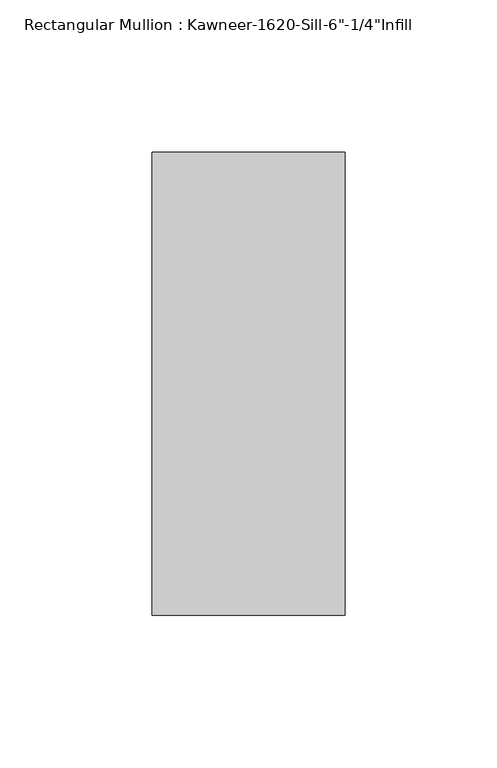
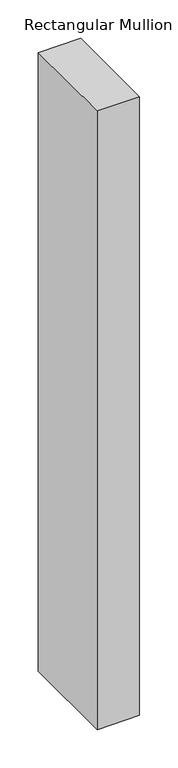
"""IFC4 building model written with IfcOpenShell, lengths in millimetres: member geometry."""

import ifcopenshell
import ifcopenshell.guid

model = None  # the IFC model being written
_history = None  # IfcOwnerHistory: only IFC2X3 demands one
_inside = {}  # id of a spatial element -> (the spatial element, [elements in it])
_under = {}  # id of a project, library or spatial element -> (it, [spatial elements below it])
_declared = {}  # id of a project -> (the project, [libraries it declares])
_typed = {}  # id of a type object -> (the type object, [elements of that type])
_made_of = {}  # id of a material, layer set ... -> (it, [elements and type objects made of it])


def new_model(schema):
    """Start an empty IFC model of exactly this schema.

    Asked for "IFC4X3", IfcOpenShell would pick the latest addendum, in which some entities
    have other attributes; the version numbers below select the first issue.
    IFC2X3 requires an IfcOwnerHistory on every rooted entity: one is made here for all.
    """
    global model, _history
    if schema == "IFC4X3":
        model = ifcopenshell.file(schema_version=(4, 3, 0, 0))
    else:
        model = ifcopenshell.file(schema=schema)
    _inside.clear()
    _under.clear()
    _declared.clear()
    _typed.clear()
    _made_of.clear()
    _history = None
    if model.schema == "IFC2X3":
        org = make("IfcOrganization", Name="unknown")
        user = make(
            "IfcPersonAndOrganization",
            ThePerson=make("IfcPerson", FamilyName="unknown"),
            TheOrganization=org,
        )
        app = make(
            "IfcApplication",
            ApplicationDeveloper=org,
            Version="unknown",
            ApplicationFullName="unknown",
            ApplicationIdentifier="unknown",
        )
        _history = make(
            "IfcOwnerHistory",
            OwningUser=user,
            OwningApplication=app,
            ChangeAction="ADDED",
            CreationDate=0,
        )
    return model


def make(cls, **values):
    """One entity of the class cls with the attributes given. An attribute that is None is left unset."""
    return model.create_entity(
        cls, **{name: value for name, value in values.items() if value is not None}
    )


def rooted(cls, **values):
    """An entity with a GlobalId (a new one), such as an element, a storey or a relation."""
    return make(cls, GlobalId=ifcopenshell.guid.new(), OwnerHistory=_history, **values)


def si_unit(unit_type, name, prefix=None):
    """IfcSIUnit, for example si_unit("LENGTHUNIT", "METRE", prefix="MILLI")."""
    return make("IfcSIUnit", UnitType=unit_type, Prefix=prefix, Name=name)


def assignment(units):
    """IfcUnitAssignment: the units of a project."""
    return None if units is None else make("IfcUnitAssignment", Units=units)


def point(xyz):
    """IfcCartesianPoint."""
    return None if xyz is None else make("IfcCartesianPoint", Coordinates=xyz)


def direction(xyz):
    """IfcDirection."""
    return None if xyz is None else make("IfcDirection", DirectionRatios=xyz)


def frame(location, z_axis=None, x_axis=None):
    """IfcAxis2Placement3D, a coordinate frame: its origin and axes. An axis left out is left unset."""
    return make(
        "IfcAxis2Placement3D",
        Location=point(location),
        Axis=direction(z_axis),
        RefDirection=direction(x_axis),
    )


def origin():
    """The frame at (0, 0, 0) with its axes left unset."""
    return frame((0.0, 0.0, 0.0))


def place(relative_to, where):
    """IfcLocalPlacement: puts the frame where relative to a parent placement (None: the world)."""
    return make(
        "IfcLocalPlacement", PlacementRelTo=relative_to, RelativePlacement=where
    )


def context(
    kind, dimensions, precision=None, world=None, true_north=None, identifier=None
):
    """IfcGeometricRepresentationContext, for example the 3D "Model" context."""
    return make(
        "IfcGeometricRepresentationContext",
        ContextIdentifier=identifier,
        ContextType=kind,
        CoordinateSpaceDimension=dimensions,
        Precision=precision,
        WorldCoordinateSystem=world,
        TrueNorth=true_north,
    )


def project(units=None, contexts=None):
    """IfcProject with its units and contexts."""
    return rooted(
        "IfcProject",
        Name="project",
        RepresentationContexts=contexts,
        UnitsInContext=assignment(units),
    )


def spatial(cls, under=None, at=None, **own):
    """A site, building, storey or space (cls), placed at a placement, below another one or the project."""
    s = rooted(cls, ObjectPlacement=at, **own)
    if under is not None:
        _under.setdefault(under.id(), (under, []))[1].append(s)
    return s


def polyline(points):
    """IfcPolyline through the points."""
    return make("IfcPolyline", Points=[point(p) for p in points])


def outline(outer, holes=None, kind="AREA"):
    """IfcArbitraryClosedProfileDef: a profile drawn as a closed curve; with holes, ...WithVoids."""
    if holes is None:
        return make("IfcArbitraryClosedProfileDef", ProfileType=kind, OuterCurve=outer)
    return make(
        "IfcArbitraryProfileDefWithVoids",
        ProfileType=kind,
        OuterCurve=outer,
        InnerCurves=holes,
    )


def extrude(swept, where, along, depth):
    """IfcExtrudedAreaSolid: the profile swept, set in the frame where, extruded along a direction by depth."""
    return make(
        "IfcExtrudedAreaSolid",
        SweptArea=swept,
        Position=where,
        ExtrudedDirection=direction(along),
        Depth=depth,
    )


def shape(context_of_items, identifier, shape_type, items):
    """IfcShapeRepresentation: the items that make up one representation, for example the "Body"."""
    return make(
        "IfcShapeRepresentation",
        ContextOfItems=context_of_items,
        RepresentationIdentifier=identifier,
        RepresentationType=shape_type,
        Items=items,
    )


def source(mapping_origin, context_of_items, identifier, shape_type, items):
    """IfcRepresentationMap: a shape defined once, which mapped items show again and again."""
    return make(
        "IfcRepresentationMap",
        MappingOrigin=mapping_origin,
        MappedRepresentation=shape(context_of_items, identifier, shape_type, items),
    )


def transform(
    local_origin,
    x_axis=None,
    y_axis=None,
    z_axis=None,
    scale=None,
    scale2=None,
    scale3=None,
    uniform=True,
):
    """IfcCartesianTransformationOperator3D, or its non-uniform kind. x_axis, y_axis, z_axis: its Axis1, 2, 3."""
    if uniform:
        return make(
            "IfcCartesianTransformationOperator3D",
            Axis1=direction(x_axis),
            Axis2=direction(y_axis),
            LocalOrigin=point(local_origin),
            Scale=scale,
            Axis3=direction(z_axis),
        )
    return make(
        "IfcCartesianTransformationOperator3DnonUniform",
        Axis1=direction(x_axis),
        Axis2=direction(y_axis),
        LocalOrigin=point(local_origin),
        Scale=scale,
        Axis3=direction(z_axis),
        Scale2=scale2,
        Scale3=scale3,
    )


def mapped(mapping_source, mapping_target):
    """IfcMappedItem: shows the shape of a source again, moved by a transform."""
    return make(
        "IfcMappedItem", MappingSource=mapping_source, MappingTarget=mapping_target
    )


def made_of(thing, what):
    """Note that an element or type object is made of a material, layer set ...; save() writes the relation."""
    if what is not None:
        _made_of.setdefault(what.id(), (what, []))[1].append(thing)
    return thing


def element(
    cls,
    number,
    at=None,
    inside=None,
    cuts=None,
    type_object=None,
    material=None,
    context=None,
    identifier="Body",
    shape_type=None,
    held_by="IfcProductDefinitionShape",
    body=None,
    shapes=None,
    **own,
):
    """One element of the class cls, such as IfcWall. Its Tag is "e" and its number.

    at: its placement. inside: the storey or other place that contains it. cuts: it is an
    opening in that element (IfcRelVoidsElement). A single representation is given by context,
    identifier, shape_type and body (its items); several are given by shapes. held_by: the class
    of the entity that holds the representations. save() writes the other relations.
    """
    e = rooted(cls, Tag="e%d" % number, ObjectPlacement=at, **own)
    if body is not None:
        shapes = [shape(context, identifier, shape_type, body)]
    if shapes is not None:
        e.Representation = make(held_by, Representations=shapes)
    if inside is not None:
        _inside.setdefault(inside.id(), (inside, []))[1].append(e)
    if cuts is not None:
        rooted(
            "IfcRelVoidsElement", RelatingBuildingElement=cuts, RelatedOpeningElement=e
        )
    if type_object is not None:
        _typed.setdefault(type_object.id(), (type_object, []))[1].append(e)
    return made_of(e, material)


def aggregate(whole, parts):
    """IfcRelAggregates: a whole, such as a stair, and the parts it consists of."""
    return rooted("IfcRelAggregates", RelatingObject=whole, RelatedObjects=parts)


def save(model, path):
    """Write the relations noted so far, then the file.

    IfcRelAggregates (storeys below a building ...), IfcRelContainedInSpatialStructure (elements
    in a storey), IfcRelDefinesByType, IfcRelAssociatesMaterial and IfcRelDeclares: one each for
    every whole, place, type object, material and project.
    """
    for whole, parts in _under.values():
        aggregate(whole, parts)
    for where, things in _inside.values():
        rooted(
            "IfcRelContainedInSpatialStructure",
            RelatedElements=things,
            RelatingStructure=where,
        )
    for kind, things in _typed.values():
        rooted("IfcRelDefinesByType", RelatedObjects=things, RelatingType=kind)
    for what, things in _made_of.values():
        rooted("IfcRelAssociatesMaterial", RelatedObjects=things, RelatingMaterial=what)
    for by, libraries in _declared.values():
        rooted("IfcRelDeclares", RelatingContext=by, RelatedDefinitions=libraries)
    model.write(path)


def member_b0239180(model_context):
    return source(origin(), model_context, "Body", "SweptSolid", [
        extrude(outline(polyline([(-63.5, 28.575), (0.0, 28.575), (0.0, -123.825), (-63.5, -123.825), (-63.5, 28.575)])), frame((0.0, 0.0, -981.075), z_axis=(0.0, 0.0, 1.0), x_axis=(1.0, 0.0, 0.0)), (0.0, 0.0, 1.0), 981.075),
    ])


if __name__ == "__main__":
    model = new_model("IFC4")
    model_context = context("Model", 3, world=origin())
    ifc_project = project(units=[si_unit("LENGTHUNIT", "METRE", prefix="MILLI")], contexts=[model_context])
    site = spatial("IfcSite", under=ifc_project)
    building = spatial("IfcBuilding", under=site)
    placement = place(None, origin())
    member_shape = member_b0239180(model_context)
    element("IfcMember", 1, ObjectType="Rectangular Mullion : Kawneer-1620-Sill-6\"-1/4\"Infill", at=placement, inside=building, context=model_context, shape_type="MappedRepresentation", body=[
        mapped(member_shape, transform((0.0, 0.0, 0.0), x_axis=(1.0, 0.0, 0.0), y_axis=(0.0, 1.0, 0.0), z_axis=(0.0, 0.0, 1.0))),
    ])
    save(model, "model.ifc")
